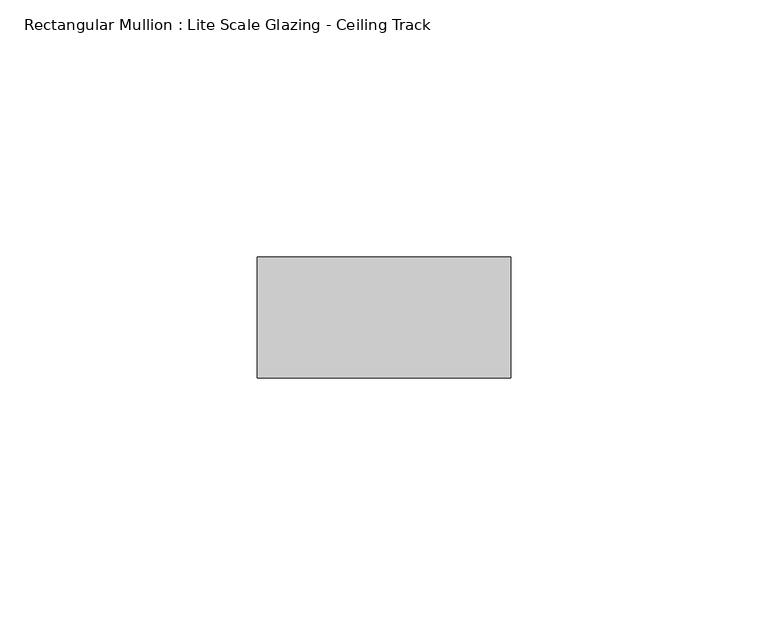
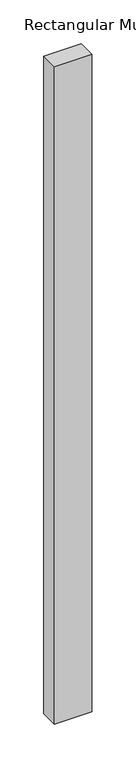
"""IFC4 building model written with IfcOpenShell, lengths in millimetres: member geometry, Rectangular Mullion : Lite Scale Glazing - Ceiling Track."""

from ifc_helpers import new_model, si_unit, frame, origin, place, context, project, spatial, polyline, outline, extrude, source, transform, mapped, element, save


def rectangular_mullion_lite_scale_glazing_ceiling_track_4a601a2c(model_context):
    return source(origin(), model_context, "Body", "SweptSolid", [
        extrude(outline(polyline([(-49.276, -11.7474999), (-49.276, 11.7474999), (0.0, 11.7474999), (0.0, -11.7474999), (-49.276, -11.7474999)])), frame((0.0, 0.0, -914.4), z_axis=(0.0, 0.0, 1.0), x_axis=(1.0, 0.0, 0.0)), (0.0, 0.0, 1.0), 914.4),
    ])


if __name__ == "__main__":
    model = new_model("IFC4")
    model_context = context("Model", 3, world=origin())
    ifc_project = project(units=[si_unit("LENGTHUNIT", "METRE", prefix="MILLI")], contexts=[model_context])
    site = spatial("IfcSite", under=ifc_project)
    building = spatial("IfcBuilding", under=site)
    placement = place(None, origin())
    rectangular_mullion_lite_scale_glazing_ceiling_track_shape = rectangular_mullion_lite_scale_glazing_ceiling_track_4a601a2c(model_context)
    element("IfcMember", 1, ObjectType="Rectangular Mullion : Lite Scale Glazing - Ceiling Track", at=placement, inside=building, context=model_context, shape_type="MappedRepresentation", body=[
        mapped(rectangular_mullion_lite_scale_glazing_ceiling_track_shape, transform((0.0, 0.0, 0.0), x_axis=(1.0, 0.0, 0.0), y_axis=(0.0, 1.0, 0.0), z_axis=(0.0, 0.0, 1.0))),
    ])
    save(model, "model.ifc")
